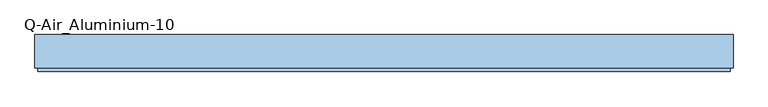
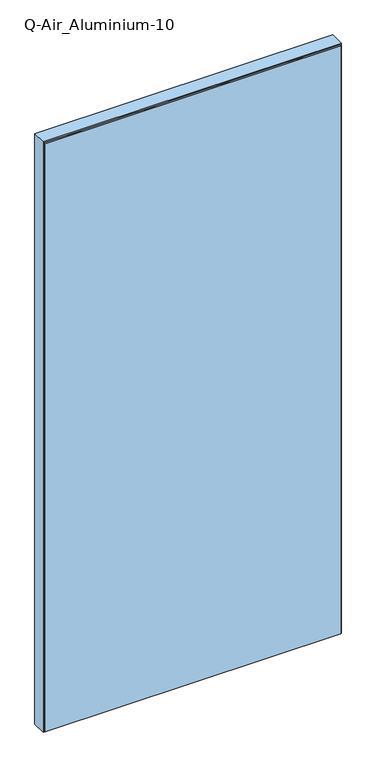
"""IFC4 building model written with IfcOpenShell, lengths in millimetres: window geometry, Q-Air_Aluminium-10."""

from ifc_helpers import new_model, si_unit, frame, origin, place, context, project, spatial, polyline, outline, extrude, source, transform, mapped, element, save


def q_air_aluminium_10_dc6a80b3(model_context):
    return source(origin(), model_context, "Body", "SweptSolid", [
        extrude(outline(polyline([(5020.0, 1200.0), (5020.0, -1200.0), (0.0, -1200.0), (0.0, 1200.0), (5020.0, 1200.0)]), holes=[polyline([(4962.0, 1142.0), (58.0, 1142.0), (58.0, -1142.0), (4962.0, -1142.0), (4962.0, 1142.0)])]), frame((0.0, -114.5, 0.0), z_axis=(0.0, 1.0, 0.0), x_axis=(0.0, 0.0, 1.0)), (0.0, 0.0, 1.0), 114.5),
        extrude(outline(polyline([(1142.0, 0.0), (1142.0, -12.5), (-1142.0, -12.5), (-1142.0, 0.0), (1142.0, 0.0)])), frame((0.0, 0.0, 58.0), z_axis=(0.0, 0.0, 1.0), x_axis=(1.0, 0.0, 0.0)), (0.0, 0.0, 1.0), 4904.0),
        extrude(outline(polyline([(1190.0, -114.5), (1190.0, -127.0), (-1190.0, -127.0), (-1190.0, -114.5), (1190.0, -114.5)])), frame((0.0, 0.0, 10.0), z_axis=(0.0, 0.0, 1.0), x_axis=(1.0, 0.0, 0.0)), (0.0, 0.0, 1.0), 5000.0),
        extrude(outline(polyline([(5010.0, 1190.0), (5010.0, -1190.0), (10.0, -1190.0), (10.0, 1190.0), (5010.0, 1190.0)]), holes=[polyline([(4962.0, 1142.0), (58.0, 1142.0), (58.0, -1142.0), (4962.0, -1142.0), (4962.0, 1142.0)])]), frame((0.0, -118.5, 0.0), z_axis=(0.0, 1.0, 0.0), x_axis=(0.0, 0.0, 1.0)), (0.0, 0.0, 1.0), 4.0),
    ])


if __name__ == "__main__":
    model = new_model("IFC4")
    model_context = context("Model", 3, world=origin())
    ifc_project = project(units=[si_unit("LENGTHUNIT", "METRE", prefix="MILLI")], contexts=[model_context])
    site = spatial("IfcSite", under=ifc_project)
    building = spatial("IfcBuilding", under=site)
    placement = place(None, origin())
    q_air_aluminium_10_shape = q_air_aluminium_10_dc6a80b3(model_context)
    element("IfcWindow", 1, ObjectType="Q-Air_Aluminium-10", at=placement, inside=building, context=model_context, shape_type="MappedRepresentation", body=[
        mapped(q_air_aluminium_10_shape, transform((0.0, 0.0, 0.0), x_axis=(1.0, 0.0, 0.0), y_axis=(0.0, 1.0, 0.0), z_axis=(0.0, 0.0, 1.0))),
    ])
    save(model, "model.ifc")
